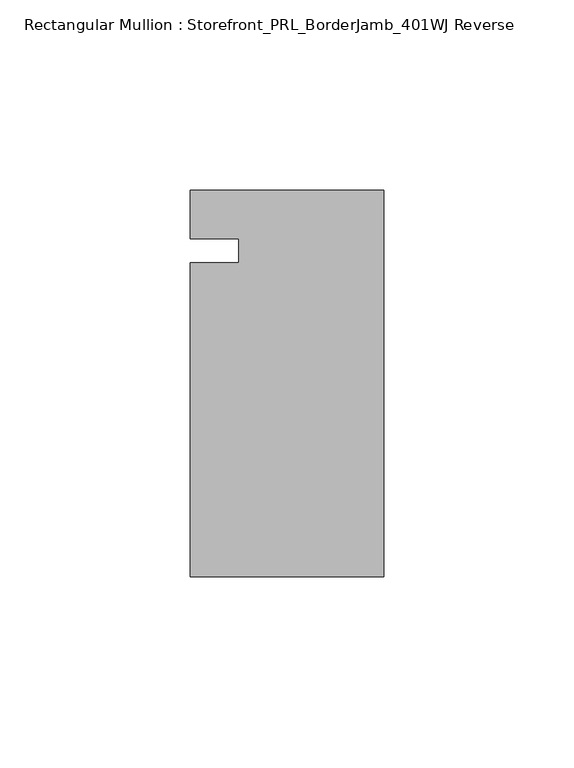
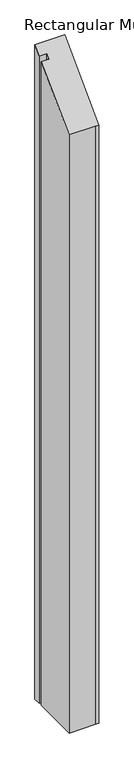
"""IFC4 building model written with IfcOpenShell, lengths in millimetres: member geometry, Rectangular Mullion : Storefront_PRL_BorderJamb_401WJ Reverse."""

import ifcopenshell
import ifcopenshell.guid

model = None  # the IFC model being written
_history = None  # IfcOwnerHistory: only IFC2X3 demands one
_inside = {}  # id of a spatial element -> (the spatial element, [elements in it])
_under = {}  # id of a project, library or spatial element -> (it, [spatial elements below it])
_declared = {}  # id of a project -> (the project, [libraries it declares])
_typed = {}  # id of a type object -> (the type object, [elements of that type])
_made_of = {}  # id of a material, layer set ... -> (it, [elements and type objects made of it])


def new_model(schema):
    """Start an empty IFC model of exactly this schema.

    Asked for "IFC4X3", IfcOpenShell would pick the latest addendum, in which some entities
    have other attributes; the version numbers below select the first issue.
    IFC2X3 requires an IfcOwnerHistory on every rooted entity: one is made here for all.
    """
    global model, _history
    if schema == "IFC4X3":
        model = ifcopenshell.file(schema_version=(4, 3, 0, 0))
    else:
        model = ifcopenshell.file(schema=schema)
    _inside.clear()
    _under.clear()
    _declared.clear()
    _typed.clear()
    _made_of.clear()
    _history = None
    if model.schema == "IFC2X3":
        org = make("IfcOrganization", Name="unknown")
        user = make(
            "IfcPersonAndOrganization",
            ThePerson=make("IfcPerson", FamilyName="unknown"),
            TheOrganization=org,
        )
        app = make(
            "IfcApplication",
            ApplicationDeveloper=org,
            Version="unknown",
            ApplicationFullName="unknown",
            ApplicationIdentifier="unknown",
        )
        _history = make(
            "IfcOwnerHistory",
            OwningUser=user,
            OwningApplication=app,
            ChangeAction="ADDED",
            CreationDate=0,
        )
    return model


def make(cls, **values):
    """One entity of the class cls with the attributes given. An attribute that is None is left unset."""
    return model.create_entity(
        cls, **{name: value for name, value in values.items() if value is not None}
    )


def rooted(cls, **values):
    """An entity with a GlobalId (a new one), such as an element, a storey or a relation."""
    return make(cls, GlobalId=ifcopenshell.guid.new(), OwnerHistory=_history, **values)


def si_unit(unit_type, name, prefix=None):
    """IfcSIUnit, for example si_unit("LENGTHUNIT", "METRE", prefix="MILLI")."""
    return make("IfcSIUnit", UnitType=unit_type, Prefix=prefix, Name=name)


def assignment(units):
    """IfcUnitAssignment: the units of a project."""
    return None if units is None else make("IfcUnitAssignment", Units=units)


def point(xyz):
    """IfcCartesianPoint."""
    return None if xyz is None else make("IfcCartesianPoint", Coordinates=xyz)


def direction(xyz):
    """IfcDirection."""
    return None if xyz is None else make("IfcDirection", DirectionRatios=xyz)


def frame(location, z_axis=None, x_axis=None):
    """IfcAxis2Placement3D, a coordinate frame: its origin and axes. An axis left out is left unset."""
    return make(
        "IfcAxis2Placement3D",
        Location=point(location),
        Axis=direction(z_axis),
        RefDirection=direction(x_axis),
    )


def origin():
    """The frame at (0, 0, 0) with its axes left unset."""
    return frame((0.0, 0.0, 0.0))


def place(relative_to, where):
    """IfcLocalPlacement: puts the frame where relative to a parent placement (None: the world)."""
    return make(
        "IfcLocalPlacement", PlacementRelTo=relative_to, RelativePlacement=where
    )


def context(
    kind, dimensions, precision=None, world=None, true_north=None, identifier=None
):
    """IfcGeometricRepresentationContext, for example the 3D "Model" context."""
    return make(
        "IfcGeometricRepresentationContext",
        ContextIdentifier=identifier,
        ContextType=kind,
        CoordinateSpaceDimension=dimensions,
        Precision=precision,
        WorldCoordinateSystem=world,
        TrueNorth=true_north,
    )


def project(units=None, contexts=None):
    """IfcProject with its units and contexts."""
    return rooted(
        "IfcProject",
        Name="project",
        RepresentationContexts=contexts,
        UnitsInContext=assignment(units),
    )


def spatial(cls, under=None, at=None, **own):
    """A site, building, storey or space (cls), placed at a placement, below another one or the project."""
    s = rooted(cls, ObjectPlacement=at, **own)
    if under is not None:
        _under.setdefault(under.id(), (under, []))[1].append(s)
    return s


def faces_of(points, faces, orient=None, outer=None):
    """IfcFace entities. A face is a list of loops; a loop is a list of indices into points, from 0.

    orient and outer hold one flag for each loop. By default every Orientation is true, the
    first loop of a face is its IfcFaceOuterBound and the others are IfcFaceBound.
    """
    made = []
    for i, loops in enumerate(faces):
        bounds = []
        for j, loop in enumerate(loops):
            is_outer = j == 0 if outer is None else outer[i][j]
            bounds.append(
                make(
                    "IfcFaceOuterBound" if is_outer else "IfcFaceBound",
                    Bound=make("IfcPolyLoop", Polygon=[points[k] for k in loop]),
                    Orientation=True if orient is None else orient[i][j],
                )
            )
        made.append(make("IfcFace", Bounds=bounds))
    return made


def faceted_brep(points, faces, orient=None, outer=None, voids=None):
    """IfcFacetedBrep: a solid bounded by flat faces; with voids (closed shells), ...WithVoids."""
    shared = [point(p) for p in points]
    hull = make("IfcClosedShell", CfsFaces=faces_of(shared, faces, orient, outer))
    if voids is None:
        return make("IfcFacetedBrep", Outer=hull)
    return make(
        "IfcFacetedBrepWithVoids",
        Outer=hull,
        Voids=[
            make(cls, CfsFaces=faces_of(shared, fs, o, b)) for cls, fs, o, b in voids
        ],
    )


def shape(context_of_items, identifier, shape_type, items):
    """IfcShapeRepresentation: the items that make up one representation, for example the "Body"."""
    return make(
        "IfcShapeRepresentation",
        ContextOfItems=context_of_items,
        RepresentationIdentifier=identifier,
        RepresentationType=shape_type,
        Items=items,
    )


def source(mapping_origin, context_of_items, identifier, shape_type, items):
    """IfcRepresentationMap: a shape defined once, which mapped items show again and again."""
    return make(
        "IfcRepresentationMap",
        MappingOrigin=mapping_origin,
        MappedRepresentation=shape(context_of_items, identifier, shape_type, items),
    )


def transform(
    local_origin,
    x_axis=None,
    y_axis=None,
    z_axis=None,
    scale=None,
    scale2=None,
    scale3=None,
    uniform=True,
):
    """IfcCartesianTransformationOperator3D, or its non-uniform kind. x_axis, y_axis, z_axis: its Axis1, 2, 3."""
    if uniform:
        return make(
            "IfcCartesianTransformationOperator3D",
            Axis1=direction(x_axis),
            Axis2=direction(y_axis),
            LocalOrigin=point(local_origin),
            Scale=scale,
            Axis3=direction(z_axis),
        )
    return make(
        "IfcCartesianTransformationOperator3DnonUniform",
        Axis1=direction(x_axis),
        Axis2=direction(y_axis),
        LocalOrigin=point(local_origin),
        Scale=scale,
        Axis3=direction(z_axis),
        Scale2=scale2,
        Scale3=scale3,
    )


def mapped(mapping_source, mapping_target):
    """IfcMappedItem: shows the shape of a source again, moved by a transform."""
    return make(
        "IfcMappedItem", MappingSource=mapping_source, MappingTarget=mapping_target
    )


def made_of(thing, what):
    """Note that an element or type object is made of a material, layer set ...; save() writes the relation."""
    if what is not None:
        _made_of.setdefault(what.id(), (what, []))[1].append(thing)
    return thing


def element(
    cls,
    number,
    at=None,
    inside=None,
    cuts=None,
    type_object=None,
    material=None,
    context=None,
    identifier="Body",
    shape_type=None,
    held_by="IfcProductDefinitionShape",
    body=None,
    shapes=None,
    **own,
):
    """One element of the class cls, such as IfcWall. Its Tag is "e" and its number.

    at: its placement. inside: the storey or other place that contains it. cuts: it is an
    opening in that element (IfcRelVoidsElement). A single representation is given by context,
    identifier, shape_type and body (its items); several are given by shapes. held_by: the class
    of the entity that holds the representations. save() writes the other relations.
    """
    e = rooted(cls, Tag="e%d" % number, ObjectPlacement=at, **own)
    if body is not None:
        shapes = [shape(context, identifier, shape_type, body)]
    if shapes is not None:
        e.Representation = make(held_by, Representations=shapes)
    if inside is not None:
        _inside.setdefault(inside.id(), (inside, []))[1].append(e)
    if cuts is not None:
        rooted(
            "IfcRelVoidsElement", RelatingBuildingElement=cuts, RelatedOpeningElement=e
        )
    if type_object is not None:
        _typed.setdefault(type_object.id(), (type_object, []))[1].append(e)
    return made_of(e, material)


def aggregate(whole, parts):
    """IfcRelAggregates: a whole, such as a stair, and the parts it consists of."""
    return rooted("IfcRelAggregates", RelatingObject=whole, RelatedObjects=parts)


def save(model, path):
    """Write the relations noted so far, then the file.

    IfcRelAggregates (storeys below a building ...), IfcRelContainedInSpatialStructure (elements
    in a storey), IfcRelDefinesByType, IfcRelAssociatesMaterial and IfcRelDeclares: one each for
    every whole, place, type object, material and project.
    """
    for whole, parts in _under.values():
        aggregate(whole, parts)
    for where, things in _inside.values():
        rooted(
            "IfcRelContainedInSpatialStructure",
            RelatedElements=things,
            RelatingStructure=where,
        )
    for kind, things in _typed.values():
        rooted("IfcRelDefinesByType", RelatedObjects=things, RelatingType=kind)
    for what, things in _made_of.values():
        rooted("IfcRelAssociatesMaterial", RelatedObjects=things, RelatingMaterial=what)
    for by, libraries in _declared.values():
        rooted("IfcRelDeclares", RelatingContext=by, RelatedDefinitions=libraries)
    model.write(path)


def rectangular_mullion_storefront_prl_borderjamb_401wj_reverse_24ec1689(model_context):
    return source(origin(), model_context, "Body", "Brep", [
        faceted_brep([(-38.1, -3.175, -1168.4), (-38.1, 3.175, -1168.4), (-50.8, 3.175, -1168.4), (-50.8, 15.875, -1168.4), (-7.3958824, 15.875, -1168.4), (0.0, 15.875, -1168.4), (0.0, -85.725, -1168.4), (-6.35, -85.725, -1168.4), (-50.8, -85.725, -1168.4), (-50.8, -3.175, -1168.4), (-50.8, -3.175, -3.175), (-38.1, -3.175, -3.175), (-50.8, -85.725, -85.725), (-6.35, -85.725, -85.725), (0.0, -85.725, -85.725), (0.0, 15.875, 15.875), (-7.3958824, 15.875, 15.875), (-50.8, 15.875, 15.875), (-50.8, 3.175, 3.175), (-38.1, 3.175, 3.175)], [[[0, 1, 2, 3, 4, 5, 6, 7, 8, 9]], [[10, 11, 0, 9]], [[12, 10, 9, 8]], [[13, 12, 8, 7]], [[14, 13, 7, 6]], [[15, 14, 6, 5]], [[16, 15, 5, 4]], [[17, 16, 4, 3]], [[18, 17, 3, 2]], [[19, 18, 2, 1]], [[11, 19, 1, 0]], [[11, 10, 12, 13, 14, 15, 16, 17, 18, 19]]]),
    ])


if __name__ == "__main__":
    model = new_model("IFC4")
    model_context = context("Model", 3, world=origin())
    ifc_project = project(units=[si_unit("LENGTHUNIT", "METRE", prefix="MILLI")], contexts=[model_context])
    site = spatial("IfcSite", under=ifc_project)
    building = spatial("IfcBuilding", under=site)
    placement = place(None, origin())
    rectangular_mullion_storefront_prl_borderjamb_401wj_reverse_shape = rectangular_mullion_storefront_prl_borderjamb_401wj_reverse_24ec1689(model_context)
    element("IfcMember", 1, ObjectType="Rectangular Mullion : Storefront_PRL_BorderJamb_401WJ Reverse", at=placement, inside=building, context=model_context, shape_type="MappedRepresentation", body=[
        mapped(rectangular_mullion_storefront_prl_borderjamb_401wj_reverse_shape, transform((0.0, 0.0, 0.0), x_axis=(1.0, 0.0, 0.0), y_axis=(0.0, 1.0, 0.0), z_axis=(0.0, 0.0, 1.0))),
    ])
    save(model, "model.ifc")
